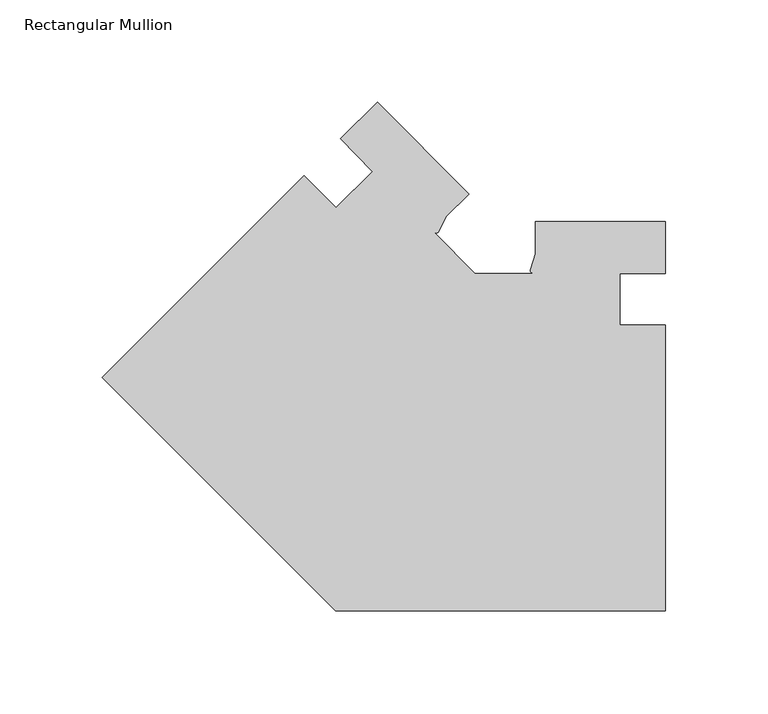
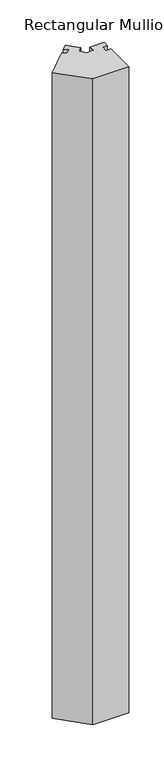
"""IFC4 building model written with IfcOpenShell, lengths in millimetres: member geometry, Rectangular Mullion."""

from ifc_helpers import new_model, si_unit, point, frame, frame_2d, origin, place, context, project, spatial, polyline, circle_curve, trimmed, segment, composite_curve, outline, extrude, source, transform, mapped, element, save


def rectangular_mullion_8acfbb58(model_context):
    return source(origin(), model_context, "Body", "SweptSolid", [
        extrude(outline(composite_curve([segment(polyline([(-161.4576836, -78.4697442), (-275.6255066, 35.6980788), (-176.8426853, 134.4809001), (-161.1273172, 118.7655319), (-143.3914021, 136.501447)]), True, "CONTINUOUS"), segment(trimmed(circle_curve(frame_2d((-481.8228378, -176.5814339)), 461.0387479), [point((-143.3914021, 136.501447))], [point((-158.8744881, 152.4490973))], True, "CARTESIAN"), True, "CONTINUOUS"), segment(polyline([(-158.8744881, 152.4490973), (-140.9216608, 170.4019246), (-96.0203802, 125.500644), (-107.2456313, 114.2753929), (-110.9832657, 106.7888831)]), True, "CONTINUOUS"), segment(trimmed(circle_curve(frame_2d((-112.1051862, 108.0705853)), 1.703369), [point((-110.9832657, 106.7888831))], [point((-113.250632, 106.8098633))], False, "CARTESIAN"), True, "CONTINUOUS"), segment(polyline([(-113.250632, 106.8098633), (-93.069073, 86.6283044), (-64.4512373, 86.6283044)]), True, "CONTINUOUS"), segment(trimmed(circle_curve(frame_2d((-64.4512373, 88.3316734)), 1.703369), [point((-64.4512373, 86.6283044))], [point((-66.1508552, 88.2186906))], False, "CARTESIAN"), True, "CONTINUOUS"), segment(polyline([(-66.1508552, 88.2186906), (-63.5, 96.1553591), (-63.5, 112.0302614), (0.0, 112.0302614), (0.0, 86.6133812), (-22.2248868, 86.6133812), (-22.2248868, 61.2302614), (0.0, 61.2302614), (0.0, -78.4697442), (-161.4576836, -78.4697442)]), True, "CONTINUOUS")], self_intersect=False)), frame((0.0, 0.0, -3048.0), z_axis=(0.0, 0.0, 1.0), x_axis=(1.0, 0.0, 0.0)), (0.0, 0.0, 1.0), 3048.0),
    ])


if __name__ == "__main__":
    model = new_model("IFC4")
    model_context = context("Model", 3, world=origin())
    ifc_project = project(units=[si_unit("LENGTHUNIT", "METRE", prefix="MILLI")], contexts=[model_context])
    site = spatial("IfcSite", under=ifc_project)
    building = spatial("IfcBuilding", under=site)
    placement = place(None, origin())
    rectangular_mullion_shape = rectangular_mullion_8acfbb58(model_context)
    element("IfcMember", 1, ObjectType="Rectangular Mullion", at=placement, inside=building, context=model_context, shape_type="MappedRepresentation", body=[
        mapped(rectangular_mullion_shape, transform((0.0, 0.0, 0.0), x_axis=(1.0, 0.0, 0.0), y_axis=(0.0, 1.0, 0.0), z_axis=(0.0, 0.0, 1.0))),
    ])
    save(model, "model.ifc")
